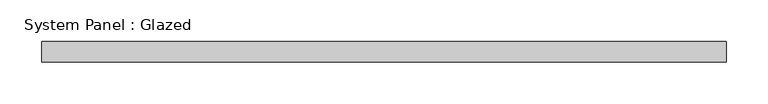
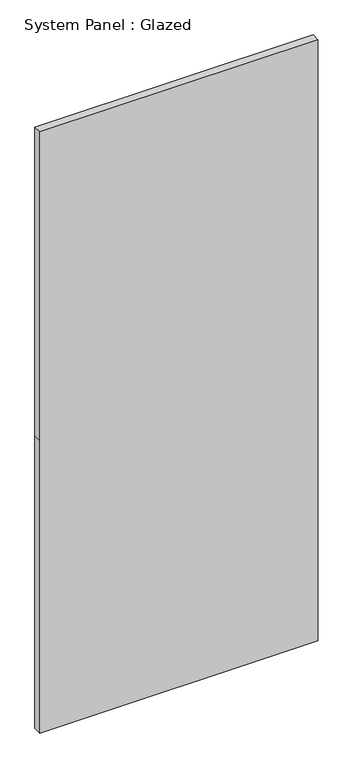
"""IFC4 building model written with IfcOpenShell, lengths in millimetres: plate geometry, System Panel : Glazed."""

from ifc_helpers import new_model, si_unit, frame, origin, place, context, project, spatial, polyline, outline, extrude, source, transform, mapped, element, save


def system_panel_glazed_aa007d4e(model_context):
    return source(origin(), model_context, "Body", "SweptSolid", [
        extrude(outline(polyline([(0.0, -412.5), (0.0, 412.5), (916.6666667, 412.5), (1885.0, 412.5), (1885.0, -412.5), (916.6666667, -412.5), (0.0, -412.5)])), frame((0.0, 24.5, 0.0), z_axis=(0.0, 1.0, 0.0), x_axis=(0.0, 0.0, 1.0)), (0.0, 0.0, 1.0), 25.0),
    ])


if __name__ == "__main__":
    model = new_model("IFC4")
    model_context = context("Model", 3, world=origin())
    ifc_project = project(units=[si_unit("LENGTHUNIT", "METRE", prefix="MILLI")], contexts=[model_context])
    site = spatial("IfcSite", under=ifc_project)
    building = spatial("IfcBuilding", under=site)
    placement = place(None, origin())
    system_panel_glazed_shape = system_panel_glazed_aa007d4e(model_context)
    element("IfcPlate", 1, ObjectType="System Panel : Glazed", at=placement, inside=building, context=model_context, shape_type="MappedRepresentation", body=[
        mapped(system_panel_glazed_shape, transform((0.0, 0.0, 0.0), x_axis=(1.0, 0.0, 0.0), y_axis=(0.0, 1.0, 0.0), z_axis=(0.0, 0.0, 1.0))),
    ])
    save(model, "model.ifc")
